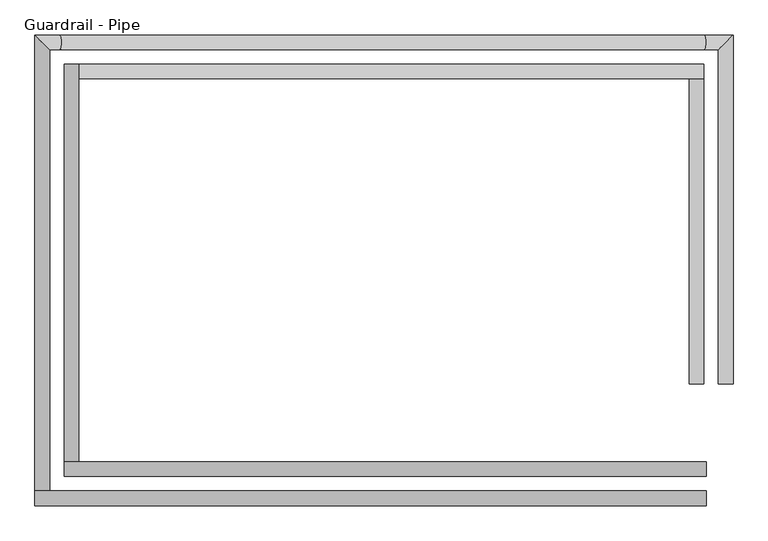
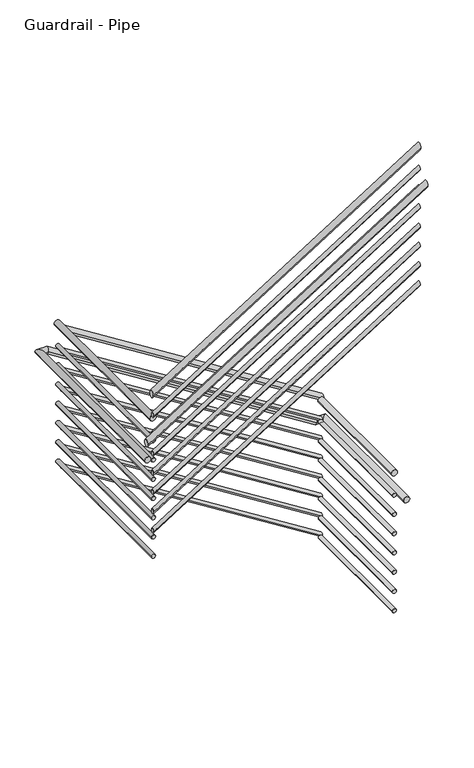
"""IFC4 building model written with IfcOpenShell, lengths in millimetres: railing geometry, Guardrail - Pipe."""

from ifc_helpers import new_model, si_unit, frame, origin, place, context, project, spatial, circle_curve, ellipse_curve, source, transform, mapped, element, save
from ifc_brep_helpers import plane_surface, cylinder_surface, advanced_brep


def guardrail_pipe_f7cc8a8a(model_context):
    return source(origin(), model_context, "Body", "AdvancedBrep", [
        advanced_brep(
        [(42409.8904695, 54379.8527338, 3616.5859249), (42371.7904695, 54379.8527338, 3616.5859249), (42409.8904695, 55173.6027338, 3616.5859249), (42371.7904695, 55173.6027338, 3616.5859249)],
        [
            (0, 1, circle_curve(frame((42390.8404695, 54379.8527338, 3616.5859249), z_axis=(0.0, -1.0, 0.0), x_axis=(-1.0, 0.0, 0.0)), 19.05)),
            (1, 0, circle_curve(frame((42390.8404695, 54379.8527338, 3616.5859249), z_axis=(0.0, -1.0, 0.0), x_axis=(-1.0, 0.0, 0.0)), 19.05)),
            (2, 3, circle_curve(frame((42390.8404695, 55173.6027338, 3616.5859249), z_axis=(0.0, 1.0, 0.0), x_axis=(-1.0, 0.0, 0.0)), 19.05)),
            (3, 2, circle_curve(frame((42390.8404695, 55173.6027338, 3616.5859249), z_axis=(0.0, 1.0, 0.0), x_axis=(-1.0, 0.0, 0.0)), 19.05)),
            (0, 2),
            (3, 1),
        ],
        [
            plane_surface(frame((42390.8404695, 54379.8527338, 3635.6359249), z_axis=(0.0, -1.0, 0.0), x_axis=(0.0, 0.0, 1.0))),
            plane_surface(frame((42390.8404695, 55173.6027338, 3635.6359249), z_axis=(0.0, 1.0, 0.0), x_axis=(0.0, 0.0, 1.0))),
            cylinder_surface(frame((42390.8404695, 54379.8527338, 3616.5859249), z_axis=(0.0, -1.0, 0.0), x_axis=(-1.0, 0.0, 0.0)), 19.05),
        ],
        [
            (0, [[1, 2]]),
            (1, [[3, 4]]),
            (2, [[-1, 5, -4, 6]]),
            (2, [[-2, -6, -3, -5]]),
        ],
    ),
        advanced_brep(
        [(42409.8904695, 55211.7027338, 3617.1235221), (42409.8904695, 55173.6027338, 3617.1235221), (40784.2904695, 55211.7027338, 4640.2284172), (40784.2904695, 55173.6027338, 4640.2284172)],
        [
            (0, 1, ellipse_curve(frame((42409.8904695, 55192.6527338, 3617.1235221), z_axis=(1.0, 0.0, 0.0), x_axis=(0.0, 0.0, -1.0)), 22.5089063, 19.05)),
            (1, 0, ellipse_curve(frame((42409.8904695, 55192.6527338, 3617.1235221), z_axis=(1.0, 0.0, 0.0), x_axis=(0.0, 0.0, -1.0)), 22.5089063, 19.05)),
            (2, 3, ellipse_curve(frame((40784.2904695, 55192.6527338, 4640.2284172), z_axis=(-1.0, 0.0, 0.0), x_axis=(0.0, 0.0, -1.0)), 22.5089063, 19.05)),
            (3, 2, ellipse_curve(frame((40784.2904695, 55192.6527338, 4640.2284172), z_axis=(-1.0, 0.0, 0.0), x_axis=(0.0, 0.0, -1.0)), 22.5089063, 19.05)),
            (0, 2),
            (3, 1),
        ],
        [
            plane_surface(frame((42409.8904695, 55192.6527338, 3639.6324284), z_axis=(1.0, 0.0, 0.0), x_axis=(0.0, -1.0, 0.0))),
            plane_surface(frame((40784.2904695, 55192.6527338, 4662.7373235), z_axis=(-1.0, 0.0, 0.0), x_axis=(0.0, -1.0, 0.0))),
            cylinder_surface(frame((42399.7433672, 55192.6527338, 3623.5098103), z_axis=(0.8463316593764877, 0.0, -0.5326562891180775), x_axis=(0.0, -1.0, 0.0)), 19.05),
        ],
        [
            (0, [[1, 2]]),
            (1, [[3, 4]]),
            (2, [[-1, 5, -4, 6]]),
            (2, [[-2, -6, -3, -5]]),
        ],
    ),
        advanced_brep(
        [(40746.1904695, 55211.7027338, 4671.662848), (40784.2904695, 55211.7027338, 4671.662848), (40746.1904695, 54176.7729583, 4671.662848), (40784.2904695, 54176.7729583, 4671.662848)],
        [
            (0, 1, circle_curve(frame((40765.2404695, 55211.7027338, 4671.662848), z_axis=(0.0, 1.0, 0.0), x_axis=(1.0, 0.0, 0.0)), 19.05)),
            (1, 0, circle_curve(frame((40765.2404695, 55211.7027338, 4671.662848), z_axis=(0.0, 1.0, 0.0), x_axis=(1.0, 0.0, 0.0)), 19.05)),
            (2, 3, circle_curve(frame((40765.2404695, 54176.7729583, 4671.662848), z_axis=(0.0, -1.0, 0.0), x_axis=(1.0, 0.0, 0.0)), 19.05)),
            (3, 2, circle_curve(frame((40765.2404695, 54176.7729583, 4671.662848), z_axis=(0.0, -1.0, 0.0), x_axis=(1.0, 0.0, 0.0)), 19.05)),
            (0, 2),
            (3, 1),
        ],
        [
            plane_surface(frame((40765.2404695, 55211.7027338, 4690.712848), z_axis=(0.0, 1.0, 0.0), x_axis=(0.0, 0.0, -1.0))),
            plane_surface(frame((40765.2404695, 54176.7729583, 4690.712848), z_axis=(0.0, -1.0, 0.0), x_axis=(0.0, 0.0, -1.0))),
            cylinder_surface(frame((40765.2404695, 55211.7027338, 4671.662848), z_axis=(0.0, 1.0, 0.0), x_axis=(1.0, 0.0, 0.0)), 19.05),
        ],
        [
            (0, [[1, 2]]),
            (1, [[3, 4]]),
            (2, [[-1, 5, -4, 6]]),
            (2, [[-2, -6, -3, -5]]),
        ],
    ),
        advanced_brep(
        [(40746.1904695, 54138.6729583, 4848.0465991), (40746.1904695, 54176.7729583, 4848.0465991), (42416.2404695, 54138.6729583, 5899.1270186), (42416.2404695, 54176.7729583, 5899.1270186)],
        [
            (0, 1, ellipse_curve(frame((40746.1904695, 54157.7229583, 4848.0465991), z_axis=(-1.0, 0.0, 0.0), x_axis=(0.0, 0.0, -1.0)), 22.5089063, 19.05)),
            (1, 0, ellipse_curve(frame((40746.1904695, 54157.7229583, 4848.0465991), z_axis=(-1.0, 0.0, 0.0), x_axis=(0.0, 0.0, -1.0)), 22.5089063, 19.05)),
            (2, 3, ellipse_curve(frame((42416.2404695, 54157.7229583, 5899.1270186), z_axis=(1.0, 0.0, 0.0), x_axis=(0.0, 0.0, -1.0)), 22.5089063, 19.05)),
            (3, 2, ellipse_curve(frame((42416.2404695, 54157.7229583, 5899.1270186), z_axis=(1.0, 0.0, 0.0), x_axis=(0.0, 0.0, -1.0)), 22.5089063, 19.05)),
            (0, 2),
            (3, 1),
        ],
        [
            plane_surface(frame((40746.1904695, 54157.7229583, 4870.5555053), z_axis=(-1.0, 0.0, 0.0), x_axis=(0.0, 1.0, 0.0))),
            plane_surface(frame((42416.2404695, 54157.7229583, 5921.6359249), z_axis=(1.0, 0.0, 0.0), x_axis=(0.0, 1.0, 0.0))),
            cylinder_surface(frame((40756.3375718, 54157.7229583, 4854.4328872), z_axis=(-0.8463316593764881, 0.0, -0.5326562891180766), x_axis=(0.0, 1.0, 0.0)), 19.05),
        ],
        [
            (0, [[1, 2]]),
            (1, [[3, 4]]),
            (2, [[-1, 5, -4, 6]]),
            (2, [[-2, -6, -3, -5]]),
        ],
    ),
        advanced_brep(
        [(42403.5404695, 54379.8527338, 3470.5359249), (42378.1404695, 54379.8527338, 3470.5359249), (42403.5404695, 55179.9527338, 3470.5359249), (42378.1404695, 55179.9527338, 3470.5359249)],
        [
            (0, 1, circle_curve(frame((42390.8404695, 54379.8527338, 3470.5359249), z_axis=(0.0, -1.0, 0.0), x_axis=(-1.0, 0.0, 0.0)), 12.7)),
            (1, 0, circle_curve(frame((42390.8404695, 54379.8527338, 3470.5359249), z_axis=(0.0, -1.0, 0.0), x_axis=(-1.0, 0.0, 0.0)), 12.7)),
            (2, 3, circle_curve(frame((42390.8404695, 55179.9527338, 3470.5359249), z_axis=(0.0, 1.0, 0.0), x_axis=(-1.0, 0.0, 0.0)), 12.7)),
            (3, 2, circle_curve(frame((42390.8404695, 55179.9527338, 3470.5359249), z_axis=(0.0, 1.0, 0.0), x_axis=(-1.0, 0.0, 0.0)), 12.7)),
            (0, 2),
            (3, 1),
        ],
        [
            plane_surface(frame((42390.8404695, 54379.8527338, 3483.2359249), z_axis=(0.0, -1.0, 0.0), x_axis=(0.0, 0.0, 1.0))),
            plane_surface(frame((42390.8404695, 55179.9527338, 3483.2359249), z_axis=(0.0, 1.0, 0.0), x_axis=(0.0, 0.0, 1.0))),
            cylinder_surface(frame((42390.8404695, 54379.8527338, 3470.5359249), z_axis=(0.0, -1.0, 0.0), x_axis=(-1.0, 0.0, 0.0)), 12.7),
        ],
        [
            (0, [[1, 2]]),
            (1, [[3, 4]]),
            (2, [[-1, 5, -4, 6]]),
            (2, [[-2, -6, -3, -5]]),
        ],
    ),
        advanced_brep(
        [(42403.5404695, 55205.3527338, 3476.2229944), (42403.5404695, 55179.9527338, 3476.2229944), (40777.9404695, 55205.3527338, 4499.3278895), (40777.9404695, 55179.9527338, 4499.3278895)],
        [
            (0, 1, ellipse_curve(frame((42403.5404695, 55192.6527338, 3476.2229944), z_axis=(1.0, 0.0, 0.0), x_axis=(0.0, 0.0, -1.0)), 15.0059375, 12.7)),
            (1, 0, ellipse_curve(frame((42403.5404695, 55192.6527338, 3476.2229944), z_axis=(1.0, 0.0, 0.0), x_axis=(0.0, 0.0, -1.0)), 15.0059375, 12.7)),
            (2, 3, ellipse_curve(frame((40777.9404695, 55192.6527338, 4499.3278895), z_axis=(-1.0, 0.0, 0.0), x_axis=(0.0, 0.0, -1.0)), 15.0059375, 12.7)),
            (3, 2, ellipse_curve(frame((40777.9404695, 55192.6527338, 4499.3278895), z_axis=(-1.0, 0.0, 0.0), x_axis=(0.0, 0.0, -1.0)), 15.0059375, 12.7)),
            (0, 2),
            (3, 1),
        ],
        [
            plane_surface(frame((42403.5404695, 55192.6527338, 3491.2289319), z_axis=(1.0, 0.0, 0.0), x_axis=(0.0, -1.0, 0.0))),
            plane_surface(frame((40777.9404695, 55192.6527338, 4514.333827), z_axis=(-1.0, 0.0, 0.0), x_axis=(0.0, -1.0, 0.0))),
            cylinder_surface(frame((42396.7757346, 55192.6527338, 3480.4805198), z_axis=(0.8463316593764877, 0.0, -0.5326562891180775), x_axis=(0.0, -1.0, 0.0)), 12.7),
        ],
        [
            (0, [[1, 2]]),
            (1, [[3, 4]]),
            (2, [[-1, 5, -4, 6]]),
            (2, [[-2, -6, -3, -5]]),
        ],
    ),
        advanced_brep(
        [(40752.5404695, 55205.3527338, 4525.612848), (40777.9404695, 55205.3527338, 4525.612848), (40752.5404695, 54170.4229583, 4525.612848), (40777.9404695, 54170.4229583, 4525.612848)],
        [
            (0, 1, circle_curve(frame((40765.2404695, 55205.3527338, 4525.612848), z_axis=(0.0, 1.0, 0.0), x_axis=(1.0, 0.0, 0.0)), 12.7)),
            (1, 0, circle_curve(frame((40765.2404695, 55205.3527338, 4525.612848), z_axis=(0.0, 1.0, 0.0), x_axis=(1.0, 0.0, 0.0)), 12.7)),
            (2, 3, circle_curve(frame((40765.2404695, 54170.4229583, 4525.612848), z_axis=(0.0, -1.0, 0.0), x_axis=(1.0, 0.0, 0.0)), 12.7)),
            (3, 2, circle_curve(frame((40765.2404695, 54170.4229583, 4525.612848), z_axis=(0.0, -1.0, 0.0), x_axis=(1.0, 0.0, 0.0)), 12.7)),
            (0, 2),
            (3, 1),
        ],
        [
            plane_surface(frame((40765.2404695, 55205.3527338, 4538.312848), z_axis=(0.0, 1.0, 0.0), x_axis=(0.0, 0.0, -1.0))),
            plane_surface(frame((40765.2404695, 54170.4229583, 4538.312848), z_axis=(0.0, -1.0, 0.0), x_axis=(0.0, 0.0, -1.0))),
            cylinder_surface(frame((40765.2404695, 55205.3527338, 4525.612848), z_axis=(0.0, 1.0, 0.0), x_axis=(1.0, 0.0, 0.0)), 12.7),
        ],
        [
            (0, [[1, 2]]),
            (1, [[3, 4]]),
            (2, [[-1, 5, -4, 6]]),
            (2, [[-2, -6, -3, -5]]),
        ],
    ),
        advanced_brep(
        [(40752.5404695, 54145.0229583, 4707.1460713), (40752.5404695, 54170.4229583, 4707.1460713), (42416.2404695, 54145.0229583, 5754.2299874), (42416.2404695, 54170.4229583, 5754.2299874)],
        [
            (0, 1, ellipse_curve(frame((40752.5404695, 54157.7229583, 4707.1460713), z_axis=(-1.0, 0.0, 0.0), x_axis=(0.0, 0.0, -1.0)), 15.0059375, 12.7)),
            (1, 0, ellipse_curve(frame((40752.5404695, 54157.7229583, 4707.1460713), z_axis=(-1.0, 0.0, 0.0), x_axis=(0.0, 0.0, -1.0)), 15.0059375, 12.7)),
            (2, 3, ellipse_curve(frame((42416.2404695, 54157.7229583, 5754.2299874), z_axis=(1.0, 0.0, 0.0), x_axis=(0.0, 0.0, -1.0)), 15.0059375, 12.7)),
            (3, 2, ellipse_curve(frame((42416.2404695, 54157.7229583, 5754.2299874), z_axis=(1.0, 0.0, 0.0), x_axis=(0.0, 0.0, -1.0)), 15.0059375, 12.7)),
            (0, 2),
            (3, 1),
        ],
        [
            plane_surface(frame((40752.5404695, 54157.7229583, 4722.1520088), z_axis=(-1.0, 0.0, 0.0), x_axis=(0.0, 1.0, 0.0))),
            plane_surface(frame((42416.2404695, 54157.7229583, 5769.2359249), z_axis=(1.0, 0.0, 0.0), x_axis=(0.0, 1.0, 0.0))),
            cylinder_surface(frame((40759.3052043, 54157.7229583, 4711.4035968), z_axis=(-0.8463316593764882, 0.0, -0.5326562891180765), x_axis=(0.0, 1.0, 0.0)), 12.7),
        ],
        [
            (0, [[1, 2]]),
            (1, [[3, 4]]),
            (2, [[-1, 5, -4, 6]]),
            (2, [[-2, -6, -3, -5]]),
        ],
    ),
        advanced_brep(
        [(42486.0904695, 54379.8527338, 3413.3859249), (42447.9904695, 54379.8527338, 3413.3859249), (42486.0904695, 55287.9027338, 3413.3859249), (42447.9904695, 55249.8027338, 3413.3859249), (42410.7446517, 55287.9027338, 3413.3859249), (42410.7446517, 55249.8027338, 3413.3859249), (40734.3446517, 55287.9027338, 4468.462848), (40734.3446517, 55249.8027338, 4468.462848), (40669.9904695, 55287.9027338, 4468.462848), (40708.0904695, 55249.8027338, 4468.462848), (40669.9904695, 54100.5729583, 4468.462848), (40708.0904695, 54100.5729583, 4468.462848)],
        [
            (0, 1, circle_curve(frame((42467.0404695, 54379.8527338, 3413.3859249), z_axis=(0.0, -1.0, 0.0), x_axis=(-1.0, 0.0, 0.0)), 19.05)),
            (1, 0, circle_curve(frame((42467.0404695, 54379.8527338, 3413.3859249), z_axis=(0.0, -1.0, 0.0), x_axis=(-1.0, 0.0, 0.0)), 19.05)),
            (0, 2),
            (2, 3, ellipse_curve(frame((42467.0404695, 55268.8527338, 3413.3859249), z_axis=(0.7071067811865421, -0.707106781186553, 0.0), x_axis=(-0.7071067811865531, -0.707106781186542, 0.0)), 26.9407684, 19.05)),
            (3, 1),
            (3, 2, ellipse_curve(frame((42467.0404695, 55268.8527338, 3413.3859249), z_axis=(0.7071067811865421, -0.707106781186553, 0.0), x_axis=(-0.7071067811865531, -0.707106781186542, 0.0)), 26.9407684, 19.05)),
            (2, 4),
            (4, 5, ellipse_curve(frame((42410.7446517, 55268.8527338, 3413.3859249), z_axis=(0.9608151901839623, 0.0, -0.2771897731009502), x_axis=(0.2771897731009504, 0.0, 0.9608151901839623)), 19.8269138, 19.05)),
            (5, 3),
            (5, 4, ellipse_curve(frame((42410.7446517, 55268.8527338, 3413.3859249), z_axis=(0.9608151901839623, 0.0, -0.2771897731009502), x_axis=(0.2771897731009504, 0.0, 0.9608151901839623)), 19.8269138, 19.05)),
            (4, 6),
            (6, 7, ellipse_curve(frame((40734.3446517, 55268.8527338, 4468.462848), z_axis=(0.9608151901839623, 0.0, -0.2771897731009502), x_axis=(-0.27718977310095, 0.0, -0.9608151901839623)), 19.8269138, 19.05)),
            (7, 5),
            (7, 6, ellipse_curve(frame((40734.3446517, 55268.8527338, 4468.462848), z_axis=(0.9608151901839623, 0.0, -0.2771897731009502), x_axis=(-0.27718977310095, 0.0, -0.9608151901839623)), 19.8269138, 19.05)),
            (6, 8),
            (8, 9, ellipse_curve(frame((40689.0404695, 55268.8527338, 4468.462848), z_axis=(0.7071067811865522, 0.7071067811865428, 0.0), x_axis=(0.7071067811865428, -0.7071067811865523, 0.0)), 26.9407684, 19.05)),
            (9, 7),
            (9, 8, ellipse_curve(frame((40689.0404695, 55268.8527338, 4468.462848), z_axis=(0.7071067811865522, 0.7071067811865428, 0.0), x_axis=(0.7071067811865428, -0.7071067811865523, 0.0)), 26.9407684, 19.05)),
            (10, 11, circle_curve(frame((40689.0404695, 54100.5729583, 4468.462848), z_axis=(0.0, -1.0, 0.0), x_axis=(1.0, 0.0, 0.0)), 19.05)),
            (11, 10, circle_curve(frame((40689.0404695, 54100.5729583, 4468.462848), z_axis=(0.0, -1.0, 0.0), x_axis=(1.0, 0.0, 0.0)), 19.05)),
            (8, 10),
            (11, 9),
        ],
        [
            plane_surface(frame((42467.0404695, 54379.8527338, 3432.4359249), z_axis=(0.0, -1.0, 0.0), x_axis=(0.0, 0.0, 1.0))),
            cylinder_surface(frame((42467.0404695, 54379.8527338, 3413.3859249), z_axis=(0.0, -1.0, 0.0), x_axis=(-1.0, 0.0, 0.0)), 19.05),
            cylinder_surface(frame((42467.0404695, 55268.8527338, 3413.3859249), z_axis=(1.0, 0.0, 0.0), x_axis=(0.0, -1.0, 0.0)), 19.05),
            cylinder_surface(frame((42406.0933672, 55268.8527338, 3416.3133068), z_axis=(0.8463316593764876, 0.0, -0.5326562891180777), x_axis=(0.0, -1.0, 0.0)), 19.05),
            cylinder_surface(frame((40739.8404695, 55268.8527338, 4468.462848), z_axis=(1.0, 0.0, 0.0), x_axis=(0.0, -1.0, 0.0)), 19.05),
            plane_surface(frame((40689.0404695, 54100.5729583, 4487.512848), z_axis=(0.0, -1.0, 0.0), x_axis=(0.0, 0.0, -1.0))),
            cylinder_surface(frame((40689.0404695, 55268.8527338, 4468.462848), z_axis=(0.0, 1.0, 0.0), x_axis=(1.0, 0.0, 0.0)), 19.05),
        ],
        [
            (0, [[1, 2]]),
            (1, [[-1, 3, 4, 5]]),
            (1, [[-2, -5, 6, -3]]),
            (2, [[-4, 7, 8, 9]]),
            (2, [[-6, -9, 10, -7]]),
            (3, [[-8, 11, 12, 13]]),
            (3, [[-10, -13, 14, -11]]),
            (4, [[-12, 15, 16, 17]]),
            (4, [[-14, -17, 18, -15]]),
            (5, [[19, 20]]),
            (6, [[-16, 21, -20, 22]]),
            (6, [[-18, -22, -19, -21]]),
        ],
    ),
        advanced_brep(
        [(40669.9904695, 54062.4729583, 4596.8885571), (40669.9904695, 54100.5729583, 4596.8885571), (42416.2404695, 54062.4729583, 5695.9270186), (42416.2404695, 54100.5729583, 5695.9270186)],
        [
            (0, 1, ellipse_curve(frame((40669.9904695, 54081.5229583, 4596.8885571), z_axis=(-1.0, 0.0, 0.0), x_axis=(0.0, 0.0, -1.0)), 22.5089063, 19.05)),
            (1, 0, ellipse_curve(frame((40669.9904695, 54081.5229583, 4596.8885571), z_axis=(-1.0, 0.0, 0.0), x_axis=(0.0, 0.0, -1.0)), 22.5089063, 19.05)),
            (2, 3, ellipse_curve(frame((42416.2404695, 54081.5229583, 5695.9270186), z_axis=(1.0, 0.0, 0.0), x_axis=(0.0, 0.0, -1.0)), 22.5089063, 19.05)),
            (3, 2, ellipse_curve(frame((42416.2404695, 54081.5229583, 5695.9270186), z_axis=(1.0, 0.0, 0.0), x_axis=(0.0, 0.0, -1.0)), 22.5089063, 19.05)),
            (0, 2),
            (3, 1),
        ],
        [
            plane_surface(frame((40669.9904695, 54081.5229583, 4619.3974634), z_axis=(-1.0, 0.0, 0.0), x_axis=(0.0, 1.0, 0.0))),
            plane_surface(frame((42416.2404695, 54081.5229583, 5718.4359249), z_axis=(1.0, 0.0, 0.0), x_axis=(0.0, 1.0, 0.0))),
            cylinder_surface(frame((40680.1375718, 54081.5229583, 4603.2748453), z_axis=(-0.8463316593764881, 0.0, -0.5326562891180767), x_axis=(0.0, 1.0, 0.0)), 19.05),
        ],
        [
            (0, [[1, 2]]),
            (1, [[3, 4]]),
            (2, [[-1, 5, -4, 6]]),
            (2, [[-2, -6, -3, -5]]),
        ],
    ),
        advanced_brep(
        [(42403.5404695, 54379.8527338, 3343.5359249), (42378.1404695, 54379.8527338, 3343.5359249), (42403.5404695, 55179.9527338, 3343.5359249), (42378.1404695, 55179.9527338, 3343.5359249)],
        [
            (0, 1, circle_curve(frame((42390.8404695, 54379.8527338, 3343.5359249), z_axis=(0.0, -1.0, 0.0), x_axis=(-1.0, 0.0, 0.0)), 12.7)),
            (1, 0, circle_curve(frame((42390.8404695, 54379.8527338, 3343.5359249), z_axis=(0.0, -1.0, 0.0), x_axis=(-1.0, 0.0, 0.0)), 12.7)),
            (2, 3, circle_curve(frame((42390.8404695, 55179.9527338, 3343.5359249), z_axis=(0.0, 1.0, 0.0), x_axis=(-1.0, 0.0, 0.0)), 12.7)),
            (3, 2, circle_curve(frame((42390.8404695, 55179.9527338, 3343.5359249), z_axis=(0.0, 1.0, 0.0), x_axis=(-1.0, 0.0, 0.0)), 12.7)),
            (0, 2),
            (3, 1),
        ],
        [
            plane_surface(frame((42390.8404695, 54379.8527338, 3356.2359249), z_axis=(0.0, -1.0, 0.0), x_axis=(0.0, 0.0, 1.0))),
            plane_surface(frame((42390.8404695, 55179.9527338, 3356.2359249), z_axis=(0.0, 1.0, 0.0), x_axis=(0.0, 0.0, 1.0))),
            cylinder_surface(frame((42390.8404695, 54379.8527338, 3343.5359249), z_axis=(0.0, -1.0, 0.0), x_axis=(-1.0, 0.0, 0.0)), 12.7),
        ],
        [
            (0, [[1, 2]]),
            (1, [[3, 4]]),
            (2, [[-1, 5, -4, 6]]),
            (2, [[-2, -6, -3, -5]]),
        ],
    ),
        advanced_brep(
        [(42403.5404695, 55205.3527338, 3349.2229944), (42403.5404695, 55179.9527338, 3349.2229944), (40777.9404695, 55205.3527338, 4372.3278895), (40777.9404695, 55179.9527338, 4372.3278895)],
        [
            (0, 1, ellipse_curve(frame((42403.5404695, 55192.6527338, 3349.2229944), z_axis=(1.0, 0.0, 0.0), x_axis=(0.0, 0.0, -1.0)), 15.0059375, 12.7)),
            (1, 0, ellipse_curve(frame((42403.5404695, 55192.6527338, 3349.2229944), z_axis=(1.0, 0.0, 0.0), x_axis=(0.0, 0.0, -1.0)), 15.0059375, 12.7)),
            (2, 3, ellipse_curve(frame((40777.9404695, 55192.6527338, 4372.3278895), z_axis=(-1.0, 0.0, 0.0), x_axis=(0.0, 0.0, -1.0)), 15.0059375, 12.7)),
            (3, 2, ellipse_curve(frame((40777.9404695, 55192.6527338, 4372.3278895), z_axis=(-1.0, 0.0, 0.0), x_axis=(0.0, 0.0, -1.0)), 15.0059375, 12.7)),
            (0, 2),
            (3, 1),
        ],
        [
            plane_surface(frame((42403.5404695, 55192.6527338, 3364.2289319), z_axis=(1.0, 0.0, 0.0), x_axis=(0.0, -1.0, 0.0))),
            plane_surface(frame((40777.9404695, 55192.6527338, 4387.333827), z_axis=(-1.0, 0.0, 0.0), x_axis=(0.0, -1.0, 0.0))),
            cylinder_surface(frame((42396.7757346, 55192.6527338, 3353.4805198), z_axis=(0.8463316593764877, 0.0, -0.5326562891180775), x_axis=(0.0, -1.0, 0.0)), 12.7),
        ],
        [
            (0, [[1, 2]]),
            (1, [[3, 4]]),
            (2, [[-1, 5, -4, 6]]),
            (2, [[-2, -6, -3, -5]]),
        ],
    ),
        advanced_brep(
        [(40752.5404695, 55205.3527338, 4398.612848), (40777.9404695, 55205.3527338, 4398.612848), (40752.5404695, 54170.4229583, 4398.612848), (40777.9404695, 54170.4229583, 4398.612848)],
        [
            (0, 1, circle_curve(frame((40765.2404695, 55205.3527338, 4398.612848), z_axis=(0.0, 1.0, 0.0), x_axis=(1.0, 0.0, 0.0)), 12.7)),
            (1, 0, circle_curve(frame((40765.2404695, 55205.3527338, 4398.612848), z_axis=(0.0, 1.0, 0.0), x_axis=(1.0, 0.0, 0.0)), 12.7)),
            (2, 3, circle_curve(frame((40765.2404695, 54170.4229583, 4398.612848), z_axis=(0.0, -1.0, 0.0), x_axis=(1.0, 0.0, 0.0)), 12.7)),
            (3, 2, circle_curve(frame((40765.2404695, 54170.4229583, 4398.612848), z_axis=(0.0, -1.0, 0.0), x_axis=(1.0, 0.0, 0.0)), 12.7)),
            (0, 2),
            (3, 1),
        ],
        [
            plane_surface(frame((40765.2404695, 55205.3527338, 4411.312848), z_axis=(0.0, 1.0, 0.0), x_axis=(0.0, 0.0, -1.0))),
            plane_surface(frame((40765.2404695, 54170.4229583, 4411.312848), z_axis=(0.0, -1.0, 0.0), x_axis=(0.0, 0.0, -1.0))),
            cylinder_surface(frame((40765.2404695, 55205.3527338, 4398.612848), z_axis=(0.0, 1.0, 0.0), x_axis=(1.0, 0.0, 0.0)), 12.7),
        ],
        [
            (0, [[1, 2]]),
            (1, [[3, 4]]),
            (2, [[-1, 5, -4, 6]]),
            (2, [[-2, -6, -3, -5]]),
        ],
    ),
        advanced_brep(
        [(40752.5404695, 54145.0229583, 4580.1460713), (40752.5404695, 54170.4229583, 4580.1460713), (42416.2404695, 54145.0229583, 5627.2299874), (42416.2404695, 54170.4229583, 5627.2299874)],
        [
            (0, 1, ellipse_curve(frame((40752.5404695, 54157.7229583, 4580.1460713), z_axis=(-1.0, 0.0, 0.0), x_axis=(0.0, 0.0, -1.0)), 15.0059375, 12.7)),
            (1, 0, ellipse_curve(frame((40752.5404695, 54157.7229583, 4580.1460713), z_axis=(-1.0, 0.0, 0.0), x_axis=(0.0, 0.0, -1.0)), 15.0059375, 12.7)),
            (2, 3, ellipse_curve(frame((42416.2404695, 54157.7229583, 5627.2299874), z_axis=(1.0, 0.0, 0.0), x_axis=(0.0, 0.0, -1.0)), 15.0059375, 12.7)),
            (3, 2, ellipse_curve(frame((42416.2404695, 54157.7229583, 5627.2299874), z_axis=(1.0, 0.0, 0.0), x_axis=(0.0, 0.0, -1.0)), 15.0059375, 12.7)),
            (0, 2),
            (3, 1),
        ],
        [
            plane_surface(frame((40752.5404695, 54157.7229583, 4595.1520088), z_axis=(-1.0, 0.0, 0.0), x_axis=(0.0, 1.0, 0.0))),
            plane_surface(frame((42416.2404695, 54157.7229583, 5642.2359249), z_axis=(1.0, 0.0, 0.0), x_axis=(0.0, 1.0, 0.0))),
            cylinder_surface(frame((40759.3052043, 54157.7229583, 4584.4035968), z_axis=(-0.8463316593764881, 0.0, -0.5326562891180766), x_axis=(0.0, 1.0, 0.0)), 12.7),
        ],
        [
            (0, [[1, 2]]),
            (1, [[3, 4]]),
            (2, [[-1, 5, -4, 6]]),
            (2, [[-2, -6, -3, -5]]),
        ],
    ),
        advanced_brep(
        [(42403.5404695, 54379.8527338, 3216.5359249), (42378.1404695, 54379.8527338, 3216.5359249), (42403.5404695, 55179.9527338, 3216.5359249), (42378.1404695, 55179.9527338, 3216.5359249)],
        [
            (0, 1, circle_curve(frame((42390.8404695, 54379.8527338, 3216.5359249), z_axis=(0.0, -1.0, 0.0), x_axis=(-1.0, 0.0, 0.0)), 12.7)),
            (1, 0, circle_curve(frame((42390.8404695, 54379.8527338, 3216.5359249), z_axis=(0.0, -1.0, 0.0), x_axis=(-1.0, 0.0, 0.0)), 12.7)),
            (2, 3, circle_curve(frame((42390.8404695, 55179.9527338, 3216.5359249), z_axis=(0.0, 1.0, 0.0), x_axis=(-1.0, 0.0, 0.0)), 12.7)),
            (3, 2, circle_curve(frame((42390.8404695, 55179.9527338, 3216.5359249), z_axis=(0.0, 1.0, 0.0), x_axis=(-1.0, 0.0, 0.0)), 12.7)),
            (0, 2),
            (3, 1),
        ],
        [
            plane_surface(frame((42390.8404695, 54379.8527338, 3229.2359249), z_axis=(0.0, -1.0, 0.0), x_axis=(0.0, 0.0, 1.0))),
            plane_surface(frame((42390.8404695, 55179.9527338, 3229.2359249), z_axis=(0.0, 1.0, 0.0), x_axis=(0.0, 0.0, 1.0))),
            cylinder_surface(frame((42390.8404695, 54379.8527338, 3216.5359249), z_axis=(0.0, -1.0, 0.0), x_axis=(-1.0, 0.0, 0.0)), 12.7),
        ],
        [
            (0, [[1, 2]]),
            (1, [[3, 4]]),
            (2, [[-1, 5, -4, 6]]),
            (2, [[-2, -6, -3, -5]]),
        ],
    ),
        advanced_brep(
        [(42403.5404695, 55205.3527338, 3222.2229944), (42403.5404695, 55179.9527338, 3222.2229944), (40777.9404695, 55205.3527338, 4245.3278895), (40777.9404695, 55179.9527338, 4245.3278895)],
        [
            (0, 1, ellipse_curve(frame((42403.5404695, 55192.6527338, 3222.2229944), z_axis=(1.0, 0.0, 0.0), x_axis=(0.0, 0.0, -1.0)), 15.0059375, 12.7)),
            (1, 0, ellipse_curve(frame((42403.5404695, 55192.6527338, 3222.2229944), z_axis=(1.0, 0.0, 0.0), x_axis=(0.0, 0.0, -1.0)), 15.0059375, 12.7)),
            (2, 3, ellipse_curve(frame((40777.9404695, 55192.6527338, 4245.3278895), z_axis=(-1.0, 0.0, 0.0), x_axis=(0.0, 0.0, -1.0)), 15.0059375, 12.7)),
            (3, 2, ellipse_curve(frame((40777.9404695, 55192.6527338, 4245.3278895), z_axis=(-1.0, 0.0, 0.0), x_axis=(0.0, 0.0, -1.0)), 15.0059375, 12.7)),
            (0, 2),
            (3, 1),
        ],
        [
            plane_surface(frame((42403.5404695, 55192.6527338, 3237.2289319), z_axis=(1.0, 0.0, 0.0), x_axis=(0.0, -1.0, 0.0))),
            plane_surface(frame((40777.9404695, 55192.6527338, 4260.333827), z_axis=(-1.0, 0.0, 0.0), x_axis=(0.0, -1.0, 0.0))),
            cylinder_surface(frame((42396.7757346, 55192.6527338, 3226.4805198), z_axis=(0.8463316593764877, 0.0, -0.5326562891180775), x_axis=(0.0, -1.0, 0.0)), 12.7),
        ],
        [
            (0, [[1, 2]]),
            (1, [[3, 4]]),
            (2, [[-1, 5, -4, 6]]),
            (2, [[-2, -6, -3, -5]]),
        ],
    ),
        advanced_brep(
        [(40752.5404695, 55205.3527338, 4271.612848), (40777.9404695, 55205.3527338, 4271.612848), (40752.5404695, 54170.4229583, 4271.612848), (40777.9404695, 54170.4229583, 4271.612848)],
        [
            (0, 1, circle_curve(frame((40765.2404695, 55205.3527338, 4271.612848), z_axis=(0.0, 1.0, 0.0), x_axis=(1.0, 0.0, 0.0)), 12.7)),
            (1, 0, circle_curve(frame((40765.2404695, 55205.3527338, 4271.612848), z_axis=(0.0, 1.0, 0.0), x_axis=(1.0, 0.0, 0.0)), 12.7)),
            (2, 3, circle_curve(frame((40765.2404695, 54170.4229583, 4271.612848), z_axis=(0.0, -1.0, 0.0), x_axis=(1.0, 0.0, 0.0)), 12.7)),
            (3, 2, circle_curve(frame((40765.2404695, 54170.4229583, 4271.612848), z_axis=(0.0, -1.0, 0.0), x_axis=(1.0, 0.0, 0.0)), 12.7)),
            (0, 2),
            (3, 1),
        ],
        [
            plane_surface(frame((40765.2404695, 55205.3527338, 4284.312848), z_axis=(0.0, 1.0, 0.0), x_axis=(0.0, 0.0, -1.0))),
            plane_surface(frame((40765.2404695, 54170.4229583, 4284.312848), z_axis=(0.0, -1.0, 0.0), x_axis=(0.0, 0.0, -1.0))),
            cylinder_surface(frame((40765.2404695, 55205.3527338, 4271.612848), z_axis=(0.0, 1.0, 0.0), x_axis=(1.0, 0.0, 0.0)), 12.7),
        ],
        [
            (0, [[1, 2]]),
            (1, [[3, 4]]),
            (2, [[-1, 5, -4, 6]]),
            (2, [[-2, -6, -3, -5]]),
        ],
    ),
        advanced_brep(
        [(40752.5404695, 54145.0229583, 4453.1460713), (40752.5404695, 54170.4229583, 4453.1460713), (42416.2404695, 54145.0229583, 5500.2299874), (42416.2404695, 54170.4229583, 5500.2299874)],
        [
            (0, 1, ellipse_curve(frame((40752.5404695, 54157.7229583, 4453.1460713), z_axis=(-1.0, 0.0, 0.0), x_axis=(0.0, 0.0, -1.0)), 15.0059375, 12.7)),
            (1, 0, ellipse_curve(frame((40752.5404695, 54157.7229583, 4453.1460713), z_axis=(-1.0, 0.0, 0.0), x_axis=(0.0, 0.0, -1.0)), 15.0059375, 12.7)),
            (2, 3, ellipse_curve(frame((42416.2404695, 54157.7229583, 5500.2299874), z_axis=(1.0, 0.0, 0.0), x_axis=(0.0, 0.0, -1.0)), 15.0059375, 12.7)),
            (3, 2, ellipse_curve(frame((42416.2404695, 54157.7229583, 5500.2299874), z_axis=(1.0, 0.0, 0.0), x_axis=(0.0, 0.0, -1.0)), 15.0059375, 12.7)),
            (0, 2),
            (3, 1),
        ],
        [
            plane_surface(frame((40752.5404695, 54157.7229583, 4468.1520088), z_axis=(-1.0, 0.0, 0.0), x_axis=(0.0, 1.0, 0.0))),
            plane_surface(frame((42416.2404695, 54157.7229583, 5515.2359249), z_axis=(1.0, 0.0, 0.0), x_axis=(0.0, 1.0, 0.0))),
            cylinder_surface(frame((40759.3052043, 54157.7229583, 4457.4035968), z_axis=(-0.8463316593764881, 0.0, -0.5326562891180766), x_axis=(0.0, 1.0, 0.0)), 12.7),
        ],
        [
            (0, [[1, 2]]),
            (1, [[3, 4]]),
            (2, [[-1, 5, -4, 6]]),
            (2, [[-2, -6, -3, -5]]),
        ],
    ),
        advanced_brep(
        [(42403.5404695, 54379.8527338, 3089.5359249), (42378.1404695, 54379.8527338, 3089.5359249), (42403.5404695, 55179.9527338, 3089.5359249), (42378.1404695, 55179.9527338, 3089.5359249)],
        [
            (0, 1, circle_curve(frame((42390.8404695, 54379.8527338, 3089.5359249), z_axis=(0.0, -1.0, 0.0), x_axis=(-1.0, 0.0, 0.0)), 12.7)),
            (1, 0, circle_curve(frame((42390.8404695, 54379.8527338, 3089.5359249), z_axis=(0.0, -1.0, 0.0), x_axis=(-1.0, 0.0, 0.0)), 12.7)),
            (2, 3, circle_curve(frame((42390.8404695, 55179.9527338, 3089.5359249), z_axis=(0.0, 1.0, 0.0), x_axis=(-1.0, 0.0, 0.0)), 12.7)),
            (3, 2, circle_curve(frame((42390.8404695, 55179.9527338, 3089.5359249), z_axis=(0.0, 1.0, 0.0), x_axis=(-1.0, 0.0, 0.0)), 12.7)),
            (0, 2),
            (3, 1),
        ],
        [
            plane_surface(frame((42390.8404695, 54379.8527338, 3102.2359249), z_axis=(0.0, -1.0, 0.0), x_axis=(0.0, 0.0, 1.0))),
            plane_surface(frame((42390.8404695, 55179.9527338, 3102.2359249), z_axis=(0.0, 1.0, 0.0), x_axis=(0.0, 0.0, 1.0))),
            cylinder_surface(frame((42390.8404695, 54379.8527338, 3089.5359249), z_axis=(0.0, -1.0, 0.0), x_axis=(-1.0, 0.0, 0.0)), 12.7),
        ],
        [
            (0, [[1, 2]]),
            (1, [[3, 4]]),
            (2, [[-1, 5, -4, 6]]),
            (2, [[-2, -6, -3, -5]]),
        ],
    ),
        advanced_brep(
        [(42403.5404695, 55205.3527338, 3095.2229944), (42403.5404695, 55179.9527338, 3095.2229944), (40777.9404695, 55205.3527338, 4118.3278895), (40777.9404695, 55179.9527338, 4118.3278895)],
        [
            (0, 1, ellipse_curve(frame((42403.5404695, 55192.6527338, 3095.2229944), z_axis=(1.0, 0.0, 0.0), x_axis=(0.0, 0.0, -1.0)), 15.0059375, 12.7)),
            (1, 0, ellipse_curve(frame((42403.5404695, 55192.6527338, 3095.2229944), z_axis=(1.0, 0.0, 0.0), x_axis=(0.0, 0.0, -1.0)), 15.0059375, 12.7)),
            (2, 3, ellipse_curve(frame((40777.9404695, 55192.6527338, 4118.3278895), z_axis=(-1.0, 0.0, 0.0), x_axis=(0.0, 0.0, -1.0)), 15.0059375, 12.7)),
            (3, 2, ellipse_curve(frame((40777.9404695, 55192.6527338, 4118.3278895), z_axis=(-1.0, 0.0, 0.0), x_axis=(0.0, 0.0, -1.0)), 15.0059375, 12.7)),
            (0, 2),
            (3, 1),
        ],
        [
            plane_surface(frame((42403.5404695, 55192.6527338, 3110.2289319), z_axis=(1.0, 0.0, 0.0), x_axis=(0.0, -1.0, 0.0))),
            plane_surface(frame((40777.9404695, 55192.6527338, 4133.333827), z_axis=(-1.0, 0.0, 0.0), x_axis=(0.0, -1.0, 0.0))),
            cylinder_surface(frame((42396.7757346, 55192.6527338, 3099.4805198), z_axis=(0.8463316593764877, 0.0, -0.5326562891180775), x_axis=(0.0, -1.0, 0.0)), 12.7),
        ],
        [
            (0, [[1, 2]]),
            (1, [[3, 4]]),
            (2, [[-1, 5, -4, 6]]),
            (2, [[-2, -6, -3, -5]]),
        ],
    ),
        advanced_brep(
        [(40752.5404695, 55205.3527338, 4144.612848), (40777.9404695, 55205.3527338, 4144.612848), (40752.5404695, 54170.4229583, 4144.612848), (40777.9404695, 54170.4229583, 4144.612848)],
        [
            (0, 1, circle_curve(frame((40765.2404695, 55205.3527338, 4144.612848), z_axis=(0.0, 1.0, 0.0), x_axis=(1.0, 0.0, 0.0)), 12.7)),
            (1, 0, circle_curve(frame((40765.2404695, 55205.3527338, 4144.612848), z_axis=(0.0, 1.0, 0.0), x_axis=(1.0, 0.0, 0.0)), 12.7)),
            (2, 3, circle_curve(frame((40765.2404695, 54170.4229583, 4144.612848), z_axis=(0.0, -1.0, 0.0), x_axis=(1.0, 0.0, 0.0)), 12.7)),
            (3, 2, circle_curve(frame((40765.2404695, 54170.4229583, 4144.612848), z_axis=(0.0, -1.0, 0.0), x_axis=(1.0, 0.0, 0.0)), 12.7)),
            (0, 2),
            (3, 1),
        ],
        [
            plane_surface(frame((40765.2404695, 55205.3527338, 4157.312848), z_axis=(0.0, 1.0, 0.0), x_axis=(0.0, 0.0, -1.0))),
            plane_surface(frame((40765.2404695, 54170.4229583, 4157.312848), z_axis=(0.0, -1.0, 0.0), x_axis=(0.0, 0.0, -1.0))),
            cylinder_surface(frame((40765.2404695, 55205.3527338, 4144.612848), z_axis=(0.0, 1.0, 0.0), x_axis=(1.0, 0.0, 0.0)), 12.7),
        ],
        [
            (0, [[1, 2]]),
            (1, [[3, 4]]),
            (2, [[-1, 5, -4, 6]]),
            (2, [[-2, -6, -3, -5]]),
        ],
    ),
        advanced_brep(
        [(40752.5404695, 54145.0229583, 4326.1460713), (40752.5404695, 54170.4229583, 4326.1460713), (42416.2404695, 54145.0229583, 5373.2299874), (42416.2404695, 54170.4229583, 5373.2299874)],
        [
            (0, 1, ellipse_curve(frame((40752.5404695, 54157.7229583, 4326.1460713), z_axis=(-1.0, 0.0, 0.0), x_axis=(0.0, 0.0, -1.0)), 15.0059375, 12.7)),
            (1, 0, ellipse_curve(frame((40752.5404695, 54157.7229583, 4326.1460713), z_axis=(-1.0, 0.0, 0.0), x_axis=(0.0, 0.0, -1.0)), 15.0059375, 12.7)),
            (2, 3, ellipse_curve(frame((42416.2404695, 54157.7229583, 5373.2299874), z_axis=(1.0, 0.0, 0.0), x_axis=(0.0, 0.0, -1.0)), 15.0059375, 12.7)),
            (3, 2, ellipse_curve(frame((42416.2404695, 54157.7229583, 5373.2299874), z_axis=(1.0, 0.0, 0.0), x_axis=(0.0, 0.0, -1.0)), 15.0059375, 12.7)),
            (0, 2),
            (3, 1),
        ],
        [
            plane_surface(frame((40752.5404695, 54157.7229583, 4341.1520088), z_axis=(-1.0, 0.0, 0.0), x_axis=(0.0, 1.0, 0.0))),
            plane_surface(frame((42416.2404695, 54157.7229583, 5388.2359249), z_axis=(1.0, 0.0, 0.0), x_axis=(0.0, 1.0, 0.0))),
            cylinder_surface(frame((40759.3052043, 54157.7229583, 4330.4035968), z_axis=(-0.8463316593764882, 0.0, -0.5326562891180765), x_axis=(0.0, 1.0, 0.0)), 12.7),
        ],
        [
            (0, [[1, 2]]),
            (1, [[3, 4]]),
            (2, [[-1, 5, -4, 6]]),
            (2, [[-2, -6, -3, -5]]),
        ],
    ),
        advanced_brep(
        [(42403.5404695, 54379.8527338, 2962.5359249), (42378.1404695, 54379.8527338, 2962.5359249), (42403.5404695, 55179.9527338, 2962.5359249), (42378.1404695, 55179.9527338, 2962.5359249)],
        [
            (0, 1, circle_curve(frame((42390.8404695, 54379.8527338, 2962.5359249), z_axis=(0.0, -1.0, 0.0), x_axis=(-1.0, 0.0, 0.0)), 12.7)),
            (1, 0, circle_curve(frame((42390.8404695, 54379.8527338, 2962.5359249), z_axis=(0.0, -1.0, 0.0), x_axis=(-1.0, 0.0, 0.0)), 12.7)),
            (2, 3, circle_curve(frame((42390.8404695, 55179.9527338, 2962.5359249), z_axis=(0.0, 1.0, 0.0), x_axis=(-1.0, 0.0, 0.0)), 12.7)),
            (3, 2, circle_curve(frame((42390.8404695, 55179.9527338, 2962.5359249), z_axis=(0.0, 1.0, 0.0), x_axis=(-1.0, 0.0, 0.0)), 12.7)),
            (0, 2),
            (3, 1),
        ],
        [
            plane_surface(frame((42390.8404695, 54379.8527338, 2975.2359249), z_axis=(0.0, -1.0, 0.0), x_axis=(0.0, 0.0, 1.0))),
            plane_surface(frame((42390.8404695, 55179.9527338, 2975.2359249), z_axis=(0.0, 1.0, 0.0), x_axis=(0.0, 0.0, 1.0))),
            cylinder_surface(frame((42390.8404695, 54379.8527338, 2962.5359249), z_axis=(0.0, -1.0, 0.0), x_axis=(-1.0, 0.0, 0.0)), 12.7),
        ],
        [
            (0, [[1, 2]]),
            (1, [[3, 4]]),
            (2, [[-1, 5, -4, 6]]),
            (2, [[-2, -6, -3, -5]]),
        ],
    ),
        advanced_brep(
        [(42403.5404695, 55205.3527338, 2968.2229944), (42403.5404695, 55179.9527338, 2968.2229944), (40777.9404695, 55205.3527338, 3991.3278895), (40777.9404695, 55179.9527338, 3991.3278895)],
        [
            (0, 1, ellipse_curve(frame((42403.5404695, 55192.6527338, 2968.2229944), z_axis=(1.0, 0.0, 0.0), x_axis=(0.0, 0.0, -1.0)), 15.0059375, 12.7)),
            (1, 0, ellipse_curve(frame((42403.5404695, 55192.6527338, 2968.2229944), z_axis=(1.0, 0.0, 0.0), x_axis=(0.0, 0.0, -1.0)), 15.0059375, 12.7)),
            (2, 3, ellipse_curve(frame((40777.9404695, 55192.6527338, 3991.3278895), z_axis=(-1.0, 0.0, 0.0), x_axis=(0.0, 0.0, -1.0)), 15.0059375, 12.7)),
            (3, 2, ellipse_curve(frame((40777.9404695, 55192.6527338, 3991.3278895), z_axis=(-1.0, 0.0, 0.0), x_axis=(0.0, 0.0, -1.0)), 15.0059375, 12.7)),
            (0, 2),
            (3, 1),
        ],
        [
            plane_surface(frame((42403.5404695, 55192.6527338, 2983.2289319), z_axis=(1.0, 0.0, 0.0), x_axis=(0.0, -1.0, 0.0))),
            plane_surface(frame((40777.9404695, 55192.6527338, 4006.333827), z_axis=(-1.0, 0.0, 0.0), x_axis=(0.0, -1.0, 0.0))),
            cylinder_surface(frame((42396.7757346, 55192.6527338, 2972.4805198), z_axis=(0.8463316593764877, 0.0, -0.5326562891180775), x_axis=(0.0, -1.0, 0.0)), 12.7),
        ],
        [
            (0, [[1, 2]]),
            (1, [[3, 4]]),
            (2, [[-1, 5, -4, 6]]),
            (2, [[-2, -6, -3, -5]]),
        ],
    ),
        advanced_brep(
        [(40752.5404695, 55205.3527338, 4017.612848), (40777.9404695, 55205.3527338, 4017.612848), (40752.5404695, 54170.4229583, 4017.612848), (40777.9404695, 54170.4229583, 4017.612848)],
        [
            (0, 1, circle_curve(frame((40765.2404695, 55205.3527338, 4017.612848), z_axis=(0.0, 1.0, 0.0), x_axis=(1.0, 0.0, 0.0)), 12.7)),
            (1, 0, circle_curve(frame((40765.2404695, 55205.3527338, 4017.612848), z_axis=(0.0, 1.0, 0.0), x_axis=(1.0, 0.0, 0.0)), 12.7)),
            (2, 3, circle_curve(frame((40765.2404695, 54170.4229583, 4017.612848), z_axis=(0.0, -1.0, 0.0), x_axis=(1.0, 0.0, 0.0)), 12.7)),
            (3, 2, circle_curve(frame((40765.2404695, 54170.4229583, 4017.612848), z_axis=(0.0, -1.0, 0.0), x_axis=(1.0, 0.0, 0.0)), 12.7)),
            (0, 2),
            (3, 1),
        ],
        [
            plane_surface(frame((40765.2404695, 55205.3527338, 4030.312848), z_axis=(0.0, 1.0, 0.0), x_axis=(0.0, 0.0, -1.0))),
            plane_surface(frame((40765.2404695, 54170.4229583, 4030.312848), z_axis=(0.0, -1.0, 0.0), x_axis=(0.0, 0.0, -1.0))),
            cylinder_surface(frame((40765.2404695, 55205.3527338, 4017.612848), z_axis=(0.0, 1.0, 0.0), x_axis=(1.0, 0.0, 0.0)), 12.7),
        ],
        [
            (0, [[1, 2]]),
            (1, [[3, 4]]),
            (2, [[-1, 5, -4, 6]]),
            (2, [[-2, -6, -3, -5]]),
        ],
    ),
        advanced_brep(
        [(40752.5404695, 54145.0229583, 4199.1460713), (40752.5404695, 54170.4229583, 4199.1460713), (42416.2404695, 54145.0229583, 5246.2299874), (42416.2404695, 54170.4229583, 5246.2299874)],
        [
            (0, 1, ellipse_curve(frame((40752.5404695, 54157.7229583, 4199.1460713), z_axis=(-1.0, 0.0, 0.0), x_axis=(0.0, 0.0, -1.0)), 15.0059375, 12.7)),
            (1, 0, ellipse_curve(frame((40752.5404695, 54157.7229583, 4199.1460713), z_axis=(-1.0, 0.0, 0.0), x_axis=(0.0, 0.0, -1.0)), 15.0059375, 12.7)),
            (2, 3, ellipse_curve(frame((42416.2404695, 54157.7229583, 5246.2299874), z_axis=(1.0, 0.0, 0.0), x_axis=(0.0, 0.0, -1.0)), 15.0059375, 12.7)),
            (3, 2, ellipse_curve(frame((42416.2404695, 54157.7229583, 5246.2299874), z_axis=(1.0, 0.0, 0.0), x_axis=(0.0, 0.0, -1.0)), 15.0059375, 12.7)),
            (0, 2),
            (3, 1),
        ],
        [
            plane_surface(frame((40752.5404695, 54157.7229583, 4214.1520088), z_axis=(-1.0, 0.0, 0.0), x_axis=(0.0, 1.0, 0.0))),
            plane_surface(frame((42416.2404695, 54157.7229583, 5261.2359249), z_axis=(1.0, 0.0, 0.0), x_axis=(0.0, 1.0, 0.0))),
            cylinder_surface(frame((40759.3052043, 54157.7229583, 4203.4035968), z_axis=(-0.8463316593764881, 0.0, -0.5326562891180766), x_axis=(0.0, 1.0, 0.0)), 12.7),
        ],
        [
            (0, [[1, 2]]),
            (1, [[3, 4]]),
            (2, [[-1, 5, -4, 6]]),
            (2, [[-2, -6, -3, -5]]),
        ],
    ),
        advanced_brep(
        [(42403.5404695, 54379.8527338, 2835.5359249), (42378.1404695, 54379.8527338, 2835.5359249), (42403.5404695, 55179.9527338, 2835.5359249), (42378.1404695, 55179.9527338, 2835.5359249)],
        [
            (0, 1, circle_curve(frame((42390.8404695, 54379.8527338, 2835.5359249), z_axis=(0.0, -1.0, 0.0), x_axis=(-1.0, 0.0, 0.0)), 12.7)),
            (1, 0, circle_curve(frame((42390.8404695, 54379.8527338, 2835.5359249), z_axis=(0.0, -1.0, 0.0), x_axis=(-1.0, 0.0, 0.0)), 12.7)),
            (2, 3, circle_curve(frame((42390.8404695, 55179.9527338, 2835.5359249), z_axis=(0.0, 1.0, 0.0), x_axis=(-1.0, 0.0, 0.0)), 12.7)),
            (3, 2, circle_curve(frame((42390.8404695, 55179.9527338, 2835.5359249), z_axis=(0.0, 1.0, 0.0), x_axis=(-1.0, 0.0, 0.0)), 12.7)),
            (0, 2),
            (3, 1),
        ],
        [
            plane_surface(frame((42390.8404695, 54379.8527338, 2848.2359249), z_axis=(0.0, -1.0, 0.0), x_axis=(0.0, 0.0, 1.0))),
            plane_surface(frame((42390.8404695, 55179.9527338, 2848.2359249), z_axis=(0.0, 1.0, 0.0), x_axis=(0.0, 0.0, 1.0))),
            cylinder_surface(frame((42390.8404695, 54379.8527338, 2835.5359249), z_axis=(0.0, -1.0, 0.0), x_axis=(-1.0, 0.0, 0.0)), 12.7),
        ],
        [
            (0, [[1, 2]]),
            (1, [[3, 4]]),
            (2, [[-1, 5, -4, 6]]),
            (2, [[-2, -6, -3, -5]]),
        ],
    ),
        advanced_brep(
        [(42403.5404695, 55205.3527338, 2841.2229944), (42403.5404695, 55179.9527338, 2841.2229944), (40777.9404695, 55205.3527338, 3864.3278895), (40777.9404695, 55179.9527338, 3864.3278895)],
        [
            (0, 1, ellipse_curve(frame((42403.5404695, 55192.6527338, 2841.2229944), z_axis=(1.0, 0.0, 0.0), x_axis=(0.0, 0.0, -1.0)), 15.0059375, 12.7)),
            (1, 0, ellipse_curve(frame((42403.5404695, 55192.6527338, 2841.2229944), z_axis=(1.0, 0.0, 0.0), x_axis=(0.0, 0.0, -1.0)), 15.0059375, 12.7)),
            (2, 3, ellipse_curve(frame((40777.9404695, 55192.6527338, 3864.3278895), z_axis=(-1.0, 0.0, 0.0), x_axis=(0.0, 0.0, -1.0)), 15.0059375, 12.7)),
            (3, 2, ellipse_curve(frame((40777.9404695, 55192.6527338, 3864.3278895), z_axis=(-1.0, 0.0, 0.0), x_axis=(0.0, 0.0, -1.0)), 15.0059375, 12.7)),
            (0, 2),
            (3, 1),
        ],
        [
            plane_surface(frame((42403.5404695, 55192.6527338, 2856.2289319), z_axis=(1.0, 0.0, 0.0), x_axis=(0.0, -1.0, 0.0))),
            plane_surface(frame((40777.9404695, 55192.6527338, 3879.333827), z_axis=(-1.0, 0.0, 0.0), x_axis=(0.0, -1.0, 0.0))),
            cylinder_surface(frame((42396.7757346, 55192.6527338, 2845.4805198), z_axis=(0.8463316593764877, 0.0, -0.5326562891180775), x_axis=(0.0, -1.0, 0.0)), 12.7),
        ],
        [
            (0, [[1, 2]]),
            (1, [[3, 4]]),
            (2, [[-1, 5, -4, 6]]),
            (2, [[-2, -6, -3, -5]]),
        ],
    ),
        advanced_brep(
        [(40752.5404695, 55205.3527338, 3890.612848), (40777.9404695, 55205.3527338, 3890.612848), (40752.5404695, 54170.4229583, 3890.612848), (40777.9404695, 54170.4229583, 3890.612848)],
        [
            (0, 1, circle_curve(frame((40765.2404695, 55205.3527338, 3890.612848), z_axis=(0.0, 1.0, 0.0), x_axis=(1.0, 0.0, 0.0)), 12.7)),
            (1, 0, circle_curve(frame((40765.2404695, 55205.3527338, 3890.612848), z_axis=(0.0, 1.0, 0.0), x_axis=(1.0, 0.0, 0.0)), 12.7)),
            (2, 3, circle_curve(frame((40765.2404695, 54170.4229583, 3890.612848), z_axis=(0.0, -1.0, 0.0), x_axis=(1.0, 0.0, 0.0)), 12.7)),
            (3, 2, circle_curve(frame((40765.2404695, 54170.4229583, 3890.612848), z_axis=(0.0, -1.0, 0.0), x_axis=(1.0, 0.0, 0.0)), 12.7)),
            (0, 2),
            (3, 1),
        ],
        [
            plane_surface(frame((40765.2404695, 55205.3527338, 3903.312848), z_axis=(0.0, 1.0, 0.0), x_axis=(0.0, 0.0, -1.0))),
            plane_surface(frame((40765.2404695, 54170.4229583, 3903.312848), z_axis=(0.0, -1.0, 0.0), x_axis=(0.0, 0.0, -1.0))),
            cylinder_surface(frame((40765.2404695, 55205.3527338, 3890.612848), z_axis=(0.0, 1.0, 0.0), x_axis=(1.0, 0.0, 0.0)), 12.7),
        ],
        [
            (0, [[1, 2]]),
            (1, [[3, 4]]),
            (2, [[-1, 5, -4, 6]]),
            (2, [[-2, -6, -3, -5]]),
        ],
    ),
        advanced_brep(
        [(40752.5404695, 54145.0229583, 4072.1460713), (40752.5404695, 54170.4229583, 4072.1460713), (42416.2404695, 54145.0229583, 5119.2299874), (42416.2404695, 54170.4229583, 5119.2299874)],
        [
            (0, 1, ellipse_curve(frame((40752.5404695, 54157.7229583, 4072.1460713), z_axis=(-1.0, 0.0, 0.0), x_axis=(0.0, 0.0, -1.0)), 15.0059375, 12.7)),
            (1, 0, ellipse_curve(frame((40752.5404695, 54157.7229583, 4072.1460713), z_axis=(-1.0, 0.0, 0.0), x_axis=(0.0, 0.0, -1.0)), 15.0059375, 12.7)),
            (2, 3, ellipse_curve(frame((42416.2404695, 54157.7229583, 5119.2299874), z_axis=(1.0, 0.0, 0.0), x_axis=(0.0, 0.0, -1.0)), 15.0059375, 12.7)),
            (3, 2, ellipse_curve(frame((42416.2404695, 54157.7229583, 5119.2299874), z_axis=(1.0, 0.0, 0.0), x_axis=(0.0, 0.0, -1.0)), 15.0059375, 12.7)),
            (0, 2),
            (3, 1),
        ],
        [
            plane_surface(frame((40752.5404695, 54157.7229583, 4087.1520088), z_axis=(-1.0, 0.0, 0.0), x_axis=(0.0, 1.0, 0.0))),
            plane_surface(frame((42416.2404695, 54157.7229583, 5134.2359249), z_axis=(1.0, 0.0, 0.0), x_axis=(0.0, 1.0, 0.0))),
            cylinder_surface(frame((40759.3052043, 54157.7229583, 4076.4035968), z_axis=(-0.8463316593764881, 0.0, -0.5326562891180766), x_axis=(0.0, 1.0, 0.0)), 12.7),
        ],
        [
            (0, [[1, 2]]),
            (1, [[3, 4]]),
            (2, [[-1, 5, -4, 6]]),
            (2, [[-2, -6, -3, -5]]),
        ],
    ),
        advanced_brep(
        [(42403.5404695, 54379.8527338, 2708.5359249), (42378.1404695, 54379.8527338, 2708.5359249), (42403.5404695, 55179.9527338, 2708.5359249), (42378.1404695, 55179.9527338, 2708.5359249)],
        [
            (0, 1, circle_curve(frame((42390.8404695, 54379.8527338, 2708.5359249), z_axis=(0.0, -1.0, 0.0), x_axis=(-1.0, 0.0, 0.0)), 12.7)),
            (1, 0, circle_curve(frame((42390.8404695, 54379.8527338, 2708.5359249), z_axis=(0.0, -1.0, 0.0), x_axis=(-1.0, 0.0, 0.0)), 12.7)),
            (2, 3, circle_curve(frame((42390.8404695, 55179.9527338, 2708.5359249), z_axis=(0.0, 1.0, 0.0), x_axis=(-1.0, 0.0, 0.0)), 12.7)),
            (3, 2, circle_curve(frame((42390.8404695, 55179.9527338, 2708.5359249), z_axis=(0.0, 1.0, 0.0), x_axis=(-1.0, 0.0, 0.0)), 12.7)),
            (0, 2),
            (3, 1),
        ],
        [
            plane_surface(frame((42390.8404695, 54379.8527338, 2721.2359249), z_axis=(0.0, -1.0, 0.0), x_axis=(0.0, 0.0, 1.0))),
            plane_surface(frame((42390.8404695, 55179.9527338, 2721.2359249), z_axis=(0.0, 1.0, 0.0), x_axis=(0.0, 0.0, 1.0))),
            cylinder_surface(frame((42390.8404695, 54379.8527338, 2708.5359249), z_axis=(0.0, -1.0, 0.0), x_axis=(-1.0, 0.0, 0.0)), 12.7),
        ],
        [
            (0, [[1, 2]]),
            (1, [[3, 4]]),
            (2, [[-1, 5, -4, 6]]),
            (2, [[-2, -6, -3, -5]]),
        ],
    ),
        advanced_brep(
        [(42403.5404695, 55205.3527338, 2714.2229944), (42403.5404695, 55179.9527338, 2714.2229944), (40777.9404695, 55205.3527338, 3737.3278895), (40777.9404695, 55179.9527338, 3737.3278895)],
        [
            (0, 1, ellipse_curve(frame((42403.5404695, 55192.6527338, 2714.2229944), z_axis=(1.0, 0.0, 0.0), x_axis=(0.0, 0.0, -1.0)), 15.0059375, 12.7)),
            (1, 0, ellipse_curve(frame((42403.5404695, 55192.6527338, 2714.2229944), z_axis=(1.0, 0.0, 0.0), x_axis=(0.0, 0.0, -1.0)), 15.0059375, 12.7)),
            (2, 3, ellipse_curve(frame((40777.9404695, 55192.6527338, 3737.3278895), z_axis=(-1.0, 0.0, 0.0), x_axis=(0.0, 0.0, -1.0)), 15.0059375, 12.7)),
            (3, 2, ellipse_curve(frame((40777.9404695, 55192.6527338, 3737.3278895), z_axis=(-1.0, 0.0, 0.0), x_axis=(0.0, 0.0, -1.0)), 15.0059375, 12.7)),
            (0, 2),
            (3, 1),
        ],
        [
            plane_surface(frame((42403.5404695, 55192.6527338, 2729.2289319), z_axis=(1.0, 0.0, 0.0), x_axis=(0.0, -1.0, 0.0))),
            plane_surface(frame((40777.9404695, 55192.6527338, 3752.333827), z_axis=(-1.0, 0.0, 0.0), x_axis=(0.0, -1.0, 0.0))),
            cylinder_surface(frame((42396.7757346, 55192.6527338, 2718.4805198), z_axis=(0.8463316593764877, 0.0, -0.5326562891180775), x_axis=(0.0, -1.0, 0.0)), 12.7),
        ],
        [
            (0, [[1, 2]]),
            (1, [[3, 4]]),
            (2, [[-1, 5, -4, 6]]),
            (2, [[-2, -6, -3, -5]]),
        ],
    ),
        advanced_brep(
        [(40752.5404695, 55205.3527338, 3763.612848), (40777.9404695, 55205.3527338, 3763.612848), (40752.5404695, 54170.4229583, 3763.612848), (40777.9404695, 54170.4229583, 3763.612848)],
        [
            (0, 1, circle_curve(frame((40765.2404695, 55205.3527338, 3763.612848), z_axis=(0.0, 1.0, 0.0), x_axis=(1.0, 0.0, 0.0)), 12.7)),
            (1, 0, circle_curve(frame((40765.2404695, 55205.3527338, 3763.612848), z_axis=(0.0, 1.0, 0.0), x_axis=(1.0, 0.0, 0.0)), 12.7)),
            (2, 3, circle_curve(frame((40765.2404695, 54170.4229583, 3763.612848), z_axis=(0.0, -1.0, 0.0), x_axis=(1.0, 0.0, 0.0)), 12.7)),
            (3, 2, circle_curve(frame((40765.2404695, 54170.4229583, 3763.612848), z_axis=(0.0, -1.0, 0.0), x_axis=(1.0, 0.0, 0.0)), 12.7)),
            (0, 2),
            (3, 1),
        ],
        [
            plane_surface(frame((40765.2404695, 55205.3527338, 3776.312848), z_axis=(0.0, 1.0, 0.0), x_axis=(0.0, 0.0, -1.0))),
            plane_surface(frame((40765.2404695, 54170.4229583, 3776.312848), z_axis=(0.0, -1.0, 0.0), x_axis=(0.0, 0.0, -1.0))),
            cylinder_surface(frame((40765.2404695, 55205.3527338, 3763.612848), z_axis=(0.0, 1.0, 0.0), x_axis=(1.0, 0.0, 0.0)), 12.7),
        ],
        [
            (0, [[1, 2]]),
            (1, [[3, 4]]),
            (2, [[-1, 5, -4, 6]]),
            (2, [[-2, -6, -3, -5]]),
        ],
    ),
        advanced_brep(
        [(40752.5404695, 54145.0229583, 3945.1460713), (40752.5404695, 54170.4229583, 3945.1460713), (42416.2404695, 54145.0229583, 4992.2299874), (42416.2404695, 54170.4229583, 4992.2299874)],
        [
            (0, 1, ellipse_curve(frame((40752.5404695, 54157.7229583, 3945.1460713), z_axis=(-1.0, 0.0, 0.0), x_axis=(0.0, 0.0, -1.0)), 15.0059375, 12.7)),
            (1, 0, ellipse_curve(frame((40752.5404695, 54157.7229583, 3945.1460713), z_axis=(-1.0, 0.0, 0.0), x_axis=(0.0, 0.0, -1.0)), 15.0059375, 12.7)),
            (2, 3, ellipse_curve(frame((42416.2404695, 54157.7229583, 4992.2299874), z_axis=(1.0, 0.0, 0.0), x_axis=(0.0, 0.0, -1.0)), 15.0059375, 12.7)),
            (3, 2, ellipse_curve(frame((42416.2404695, 54157.7229583, 4992.2299874), z_axis=(1.0, 0.0, 0.0), x_axis=(0.0, 0.0, -1.0)), 15.0059375, 12.7)),
            (0, 2),
            (3, 1),
        ],
        [
            plane_surface(frame((40752.5404695, 54157.7229583, 3960.1520088), z_axis=(-1.0, 0.0, 0.0), x_axis=(0.0, 1.0, 0.0))),
            plane_surface(frame((42416.2404695, 54157.7229583, 5007.2359249), z_axis=(1.0, 0.0, 0.0), x_axis=(0.0, 1.0, 0.0))),
            cylinder_surface(frame((40759.3052043, 54157.7229583, 3949.4035968), z_axis=(-0.8463316593764882, 0.0, -0.5326562891180765), x_axis=(0.0, 1.0, 0.0)), 12.7),
        ],
        [
            (0, [[1, 2]]),
            (1, [[3, 4]]),
            (2, [[-1, 5, -4, 6]]),
            (2, [[-2, -6, -3, -5]]),
        ],
    ),
    ])


if __name__ == "__main__":
    model = new_model("IFC4")
    model_context = context("Model", 3, world=origin())
    ifc_project = project(units=[si_unit("LENGTHUNIT", "METRE", prefix="MILLI")], contexts=[model_context])
    site = spatial("IfcSite", under=ifc_project)
    building = spatial("IfcBuilding", under=site)
    placement = place(None, origin())
    guardrail_pipe_shape = guardrail_pipe_f7cc8a8a(model_context)
    element("IfcRailing", 1, ObjectType="Guardrail - Pipe", at=placement, inside=building, context=model_context, shape_type="MappedRepresentation", body=[
        mapped(guardrail_pipe_shape, transform((0.0, 0.0, 0.0), x_axis=(1.0, 0.0, 0.0), y_axis=(0.0, 1.0, 0.0), z_axis=(0.0, 0.0, 1.0))),
    ])
    save(model, "model.ifc")
